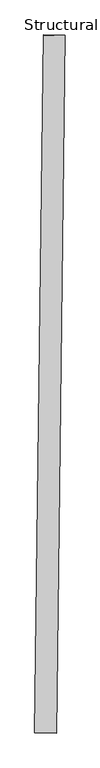
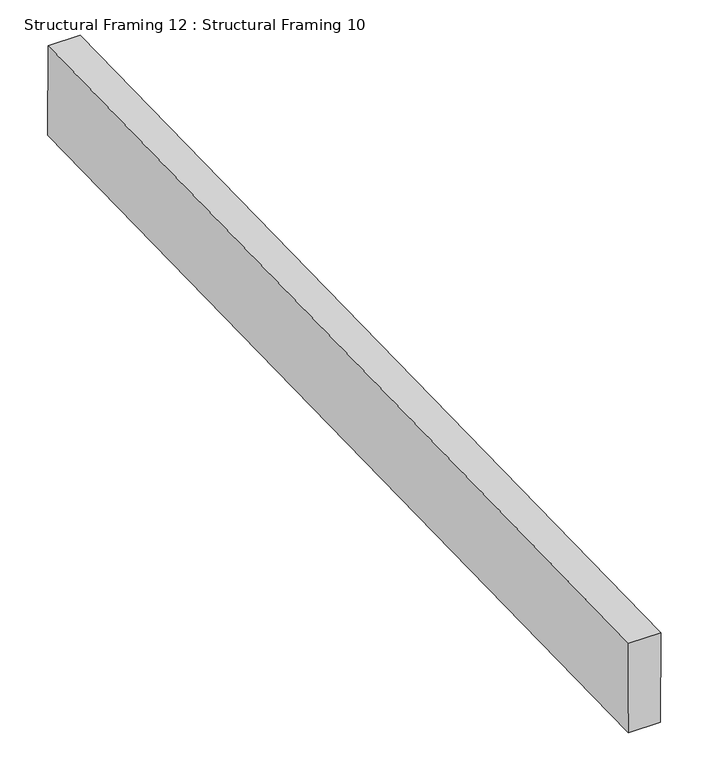
"""IFC4 building model written with IfcOpenShell, lengths in millimetres: beam geometry, Structural Framing 12 : Structural Framing 10."""

from ifc_helpers import new_model, si_unit, frame, origin, place, context, project, spatial, polyline, outline, extrude, source, transform, mapped, element, save


def structural_framing_12_structural_framing_10_3a36e467(model_context):
    return source(origin(), model_context, "Body", "SweptSolid", [
        extrude(outline(polyline([(-1e-07, -1835.7376677), (0.0, 0.0), (56.9064404, 0.0), (56.9064403, -1835.7376678), (-1e-07, -1835.7376677)])), frame((-40839.1207005, 34804.1829402, 109953.7145978), z_axis=(-4.002735634419587e-05, -0.0031594828751111623, 0.9999950080204264), x_axis=(0.9999197584087043, -0.012667941580161043, 0.0)), (0.0, 0.0, 1.0), 169.3985403),
    ])


if __name__ == "__main__":
    model = new_model("IFC4")
    model_context = context("Model", 3, world=origin())
    ifc_project = project(units=[si_unit("LENGTHUNIT", "METRE", prefix="MILLI")], contexts=[model_context])
    site = spatial("IfcSite", under=ifc_project)
    building = spatial("IfcBuilding", under=site)
    placement = place(None, origin())
    structural_framing_12_structural_framing_10_shape = structural_framing_12_structural_framing_10_3a36e467(model_context)
    element("IfcBeam", 1, ObjectType="Structural Framing 12 : Structural Framing 10", at=placement, inside=building, context=model_context, shape_type="MappedRepresentation", body=[
        mapped(structural_framing_12_structural_framing_10_shape, transform((0.0, 0.0, 0.0), x_axis=(1.0, 0.0, 0.0), y_axis=(0.0, 1.0, 0.0), z_axis=(0.0, 0.0, 1.0))),
    ])
    save(model, "model.ifc")
